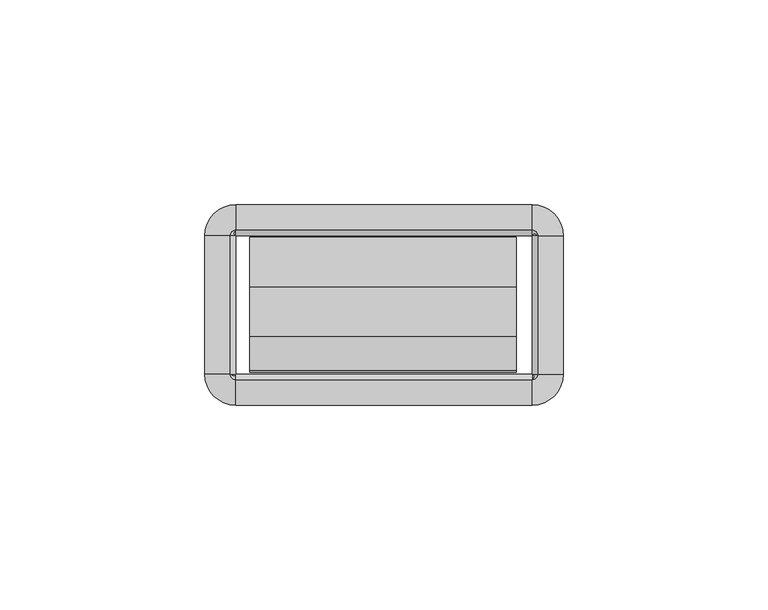
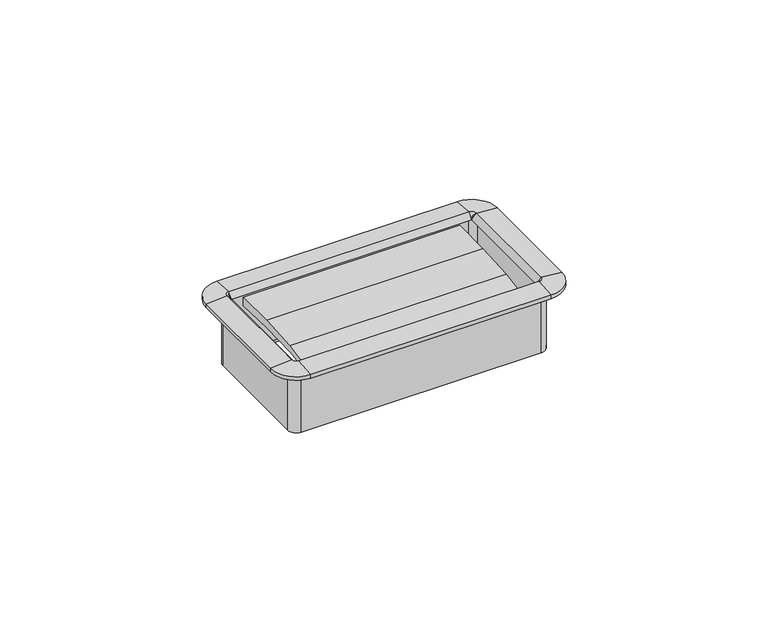
"""IFC4 building model written with IfcOpenShell, lengths in millimetres: furniture geometry."""

from ifc_helpers import new_model, si_unit, frame, origin, place, context, project, spatial, polyline, circle_curve, outline, extrude, source, transform, mapped, element, save
from ifc_brep_helpers import plane_surface, cylinder_surface, revolved_surface, advanced_brep


def furniture_e6887dff(model_context):
    return source(origin(), model_context, "Body", "SolidModel", [
        extrude(outline(polyline([(-27.4015977, 911.4713463), (-35.841251, 910.4077762), (-35.4230807, 911.7857243), (-27.1272776, 913.3247401), (-15.0207956, 914.1183076), (-2.8884162, 914.1634028), (-2.9633248, 911.4052515), (-15.1814712, 911.8042355), (-27.4015977, 911.4713463)])), frame((-32.8496732, 0.0, 0.0), z_axis=(1.0, 0.0, 0.0), x_axis=(0.0, 1.0, 0.0)), (0.0, 0.0, 1.0), 65.1763996),
        advanced_brep(
        [(37.8602578, -2.54, 914.4), (36.1704551, -0.8501974, 914.4), (36.1704551, -0.8501974, 895.5532), (37.8602578, -2.54, 895.5532), (37.5244377, -2.54, 916.0652454), (36.1704551, -1.1860174, 916.0652454), (36.1704551, -2.5172282, 914.4), (43.7913825, -2.54, 915.543), (36.1704551, 5.0809274, 915.543), (43.7913825, -2.54, 914.4), (36.1704551, 5.0809274, 914.4), (38.7104551, -2.54, 894.0799989), (36.1704551, 0.0, 894.0799989), (36.1704551, 0.0, 914.4), (38.7104551, -2.54, 914.4), (37.8602578, -36.2712, 895.5532), (37.8602578, -36.2712, 914.4), (36.1932269, -36.2712, 914.4), (37.5244377, -36.2712, 916.0652454), (43.7913825, -36.2712, 915.543), (43.7913825, -36.2712, 914.4), (38.7104551, -36.2712, 914.4), (38.7104551, -36.2712, 894.0799989), (36.1704551, -37.9610026, 914.4), (36.1704551, -37.9610026, 895.5532), (36.1704551, -37.6251826, 916.0652454), (36.1704551, -43.8921274, 915.543), (36.1704551, -43.8921274, 914.4), (36.1704551, -38.8112, 894.0799989), (36.1704551, -38.8112, 914.4), (-36.1687428, -37.9610026, 895.5532), (-36.1687428, -37.9610026, 914.4), (-36.1687428, -36.2939718, 914.4), (-36.1687428, -37.6251826, 916.0652454), (-36.1687428, -43.8921274, 915.543), (-36.1687428, -43.8921274, 914.4), (-36.1687428, -38.8112, 914.4), (-36.1687428, -38.8112, 894.0799989), (-37.8585455, -36.2712, 914.4), (-37.8585455, -36.2712, 895.5532), (-37.5227254, -36.2712, 916.0652454), (-43.7896702, -36.2712, 915.543), (-43.7896702, -36.2712, 914.4), (-38.7087428, -36.2712, 894.0799989), (-38.7087428, -36.2712, 914.4), (-37.8585455, -2.54, 895.5532), (-37.8585455, -2.54, 914.4), (-36.1915146, -2.54, 914.4), (-37.5227254, -2.54, 916.0652454), (-43.7896702, -2.54, 915.543), (-43.7896702, -2.54, 914.4), (-38.7087428, -2.54, 914.4), (-38.7087428, -2.54, 894.0799989), (-36.1687428, -0.8501974, 914.4), (-36.1687428, -0.8501974, 895.5532), (-36.1687428, -1.1860174, 916.0652454), (-36.1687428, 5.0809274, 915.543), (-36.1687428, 5.0809274, 914.4), (-36.1687428, 0.0, 894.0799989), (-36.1687428, 0.0, 914.4), (38.6519521, -2.54, 895.5532), (36.1704551, -0.058503, 895.5532), (38.6519521, -36.2712, 895.5532), (36.1704551, -38.752697, 895.5532), (-36.1687428, -38.752697, 895.5532), (-38.6502398, -36.2712, 895.5532), (-38.6502398, -2.54, 895.5532), (-36.1687428, -0.058503, 895.5532)],
        [
            (0, 1, circle_curve(frame((36.1704551, -2.54, 914.4), z_axis=(0.0, 0.0, 1.0), x_axis=(0.0, 1.0, 0.0)), 1.6898026)),
            (1, 2),
            (2, 3, circle_curve(frame((36.1704551, -2.54, 895.5532), z_axis=(0.0, 0.0, -1.0), x_axis=(0.0, 1.0, 0.0)), 1.6898026)),
            (3, 0),
            (4, 5, circle_curve(frame((36.1704551, -2.54, 916.0652454), z_axis=(0.0, 0.0, 1.0), x_axis=(0.0, 1.0, 0.0)), 1.3539826)),
            (5, 6),
            (6, 4),
            (7, 8, circle_curve(frame((36.1704551, -2.54, 915.543), z_axis=(0.0, 0.0, 1.0), x_axis=(0.0, 1.0, 0.0)), 7.6209274)),
            (8, 5),
            (4, 7),
            (9, 10, circle_curve(frame((36.1704551, -2.54, 914.4), z_axis=(0.0, 0.0, 1.0), x_axis=(0.0, 1.0, 0.0)), 7.6209274)),
            (10, 8),
            (7, 9),
            (11, 12, circle_curve(frame((36.1704551, -2.54, 894.0799989), z_axis=(0.0, 0.0, 1.0), x_axis=(0.0, 1.0, 0.0)), 2.54)),
            (12, 13),
            (13, 14, circle_curve(frame((36.1704551, -2.54, 914.4), z_axis=(0.0, 0.0, -1.0), x_axis=(0.0, 1.0, 0.0)), 2.54)),
            (14, 11),
            (3, 15),
            (15, 16),
            (16, 0),
            (6, 17),
            (17, 18),
            (18, 4),
            (18, 19),
            (19, 7),
            (19, 20),
            (20, 9),
            (14, 21),
            (21, 22),
            (22, 11),
            (23, 16, circle_curve(frame((36.1704551, -36.2712, 914.4), z_axis=(0.0, 0.0, 1.0), x_axis=(1.0, 0.0, 0.0)), 1.6898026)),
            (15, 24, circle_curve(frame((36.1704551, -36.2712, 895.5532), z_axis=(0.0, 0.0, -1.0), x_axis=(1.0, 0.0, 0.0)), 1.6898026)),
            (24, 23),
            (25, 18, circle_curve(frame((36.1704551, -36.2712, 916.0652454), z_axis=(0.0, 0.0, 1.0), x_axis=(1.0, 0.0, 0.0)), 1.3539826)),
            (17, 25),
            (26, 19, circle_curve(frame((36.1704551, -36.2712, 915.543), z_axis=(0.0, 0.0, 1.0), x_axis=(1.0, 0.0, 0.0)), 7.6209274)),
            (25, 26),
            (27, 20, circle_curve(frame((36.1704551, -36.2712, 914.4), z_axis=(0.0, 0.0, 1.0), x_axis=(1.0, 0.0, 0.0)), 7.6209274)),
            (26, 27),
            (28, 22, circle_curve(frame((36.1704551, -36.2712, 894.0799989), z_axis=(0.0, 0.0, 1.0), x_axis=(1.0, 0.0, 0.0)), 2.54)),
            (21, 29, circle_curve(frame((36.1704551, -36.2712, 914.4), z_axis=(0.0, 0.0, -1.0), x_axis=(1.0, 0.0, 0.0)), 2.54)),
            (29, 28),
            (24, 30),
            (30, 31),
            (31, 23),
            (17, 32),
            (32, 33),
            (33, 25),
            (33, 34),
            (34, 26),
            (34, 35),
            (35, 27),
            (29, 36),
            (36, 37),
            (37, 28),
            (38, 31, circle_curve(frame((-36.1687428, -36.2712, 914.4), z_axis=(0.0, 0.0, 1.0), x_axis=(0.0, -1.0, 0.0)), 1.6898026)),
            (30, 39, circle_curve(frame((-36.1687428, -36.2712, 895.5532), z_axis=(0.0, 0.0, -1.0), x_axis=(0.0, -1.0, 0.0)), 1.6898026)),
            (39, 38),
            (40, 33, circle_curve(frame((-36.1687428, -36.2712, 916.0652454), z_axis=(0.0, 0.0, 1.0), x_axis=(0.0, -1.0, 0.0)), 1.3539826)),
            (32, 40),
            (41, 34, circle_curve(frame((-36.1687428, -36.2712, 915.543), z_axis=(0.0, 0.0, 1.0), x_axis=(0.0, -1.0, 0.0)), 7.6209274)),
            (40, 41),
            (42, 35, circle_curve(frame((-36.1687428, -36.2712, 914.4), z_axis=(0.0, 0.0, 1.0), x_axis=(0.0, -1.0, 0.0)), 7.6209274)),
            (41, 42),
            (43, 37, circle_curve(frame((-36.1687428, -36.2712, 894.0799989), z_axis=(0.0, 0.0, 1.0), x_axis=(0.0, -1.0, 0.0)), 2.54)),
            (36, 44, circle_curve(frame((-36.1687428, -36.2712, 914.4), z_axis=(0.0, 0.0, -1.0), x_axis=(0.0, -1.0, 0.0)), 2.54)),
            (44, 43),
            (39, 45),
            (45, 46),
            (46, 38),
            (32, 47),
            (47, 48),
            (48, 40),
            (48, 49),
            (49, 41),
            (49, 50),
            (50, 42),
            (44, 51),
            (51, 52),
            (52, 43),
            (53, 46, circle_curve(frame((-36.1687428, -2.54, 914.4), z_axis=(0.0, 0.0, 1.0), x_axis=(-1.0, 0.0, 0.0)), 1.6898026)),
            (45, 54, circle_curve(frame((-36.1687428, -2.54, 895.5532), z_axis=(0.0, 0.0, -1.0), x_axis=(-1.0, 0.0, 0.0)), 1.6898026)),
            (54, 53),
            (55, 48, circle_curve(frame((-36.1687428, -2.54, 916.0652454), z_axis=(0.0, 0.0, 1.0), x_axis=(-1.0, 0.0, 0.0)), 1.3539826)),
            (47, 55),
            (56, 49, circle_curve(frame((-36.1687428, -2.54, 915.543), z_axis=(0.0, 0.0, 1.0), x_axis=(-1.0, 0.0, 0.0)), 7.6209274)),
            (55, 56),
            (57, 50, circle_curve(frame((-36.1687428, -2.54, 914.4), z_axis=(0.0, 0.0, 1.0), x_axis=(-1.0, 0.0, 0.0)), 7.6209274)),
            (56, 57),
            (58, 52, circle_curve(frame((-36.1687428, -2.54, 894.0799989), z_axis=(0.0, 0.0, 1.0), x_axis=(-1.0, 0.0, 0.0)), 2.54)),
            (51, 59, circle_curve(frame((-36.1687428, -2.54, 914.4), z_axis=(0.0, 0.0, -1.0), x_axis=(-1.0, 0.0, 0.0)), 2.54)),
            (59, 58),
            (54, 2),
            (1, 53),
            (6, 47),
            (5, 55),
            (8, 56),
            (10, 57),
            (13, 59),
            (12, 58),
            (60, 61, circle_curve(frame((36.1704551, -2.54, 895.5532), z_axis=(0.0, 0.0, 1.0), x_axis=(0.0, 1.0, 0.0)), 2.481497)),
            (61, 12),
            (11, 60),
            (22, 62),
            (62, 60),
            (63, 62, circle_curve(frame((36.1704551, -36.2712, 895.5532), z_axis=(0.0, 0.0, 1.0), x_axis=(1.0, 0.0, 0.0)), 2.481497)),
            (28, 63),
            (37, 64),
            (64, 63),
            (65, 64, circle_curve(frame((-36.1687428, -36.2712, 895.5532), z_axis=(0.0, 0.0, 1.0), x_axis=(0.0, -1.0, 0.0)), 2.481497)),
            (43, 65),
            (52, 66),
            (66, 65),
            (67, 66, circle_curve(frame((-36.1687428, -2.54, 895.5532), z_axis=(0.0, 0.0, 1.0), x_axis=(-1.0, 0.0, 0.0)), 2.481497)),
            (58, 67),
            (61, 67),
        ],
        [
            revolved_surface(polyline([(36.1704551, -0.8501974000000001, 895.5532), (36.1704551, -0.8501974000000001, 914.4)]), (36.1704551, -2.54, 914.4), (0.0, 0.0, -1.0)),
            revolved_surface(polyline([(36.1704551, -2.5172282, 914.4), (36.1704551, -1.1860174, 916.0652454)]), (36.1704551, -2.54, 914.4), (0.0, 0.0, -1.0)),
            revolved_surface(polyline([(36.1704551, -1.1860174, 916.0652454), (36.1704551, 5.0809274, 915.543)]), (36.1704551, -2.54, 914.4), (0.0, 0.0, -1.0)),
            cylinder_surface(frame((36.1704551, -2.54, 914.4), z_axis=(0.0, 0.0, -1.0), x_axis=(0.0, 1.0, 0.0)), 7.6209274),
            cylinder_surface(frame((36.1704551, -2.54, 914.4), z_axis=(0.0, 0.0, -1.0), x_axis=(0.0, 1.0, 0.0)), 2.54),
            plane_surface(frame((37.8602578, -2.54, 895.5532), z_axis=(-1.0, 0.0, 0.0), x_axis=(0.0, -1.0, 0.0))),
            plane_surface(frame((36.1932269, -2.54, 914.4), z_axis=(-0.7810942622858547, 0.0, 0.6244131272035499), x_axis=(0.0, -1.0, 0.0))),
            plane_surface(frame((37.5244377, -2.54, 916.0652454), z_axis=(0.08304548081379862, 0.0, 0.9965457581648749), x_axis=(0.0, -1.0, 0.0))),
            plane_surface(frame((43.7913825, -2.54, 915.543), z_axis=(1.0, 0.0, 0.0), x_axis=(0.0, -1.0, 0.0))),
            plane_surface(frame((38.7104551, -2.54, 914.4), z_axis=(1.0, 0.0, 0.0), x_axis=(0.0, -1.0, 0.0))),
            revolved_surface(polyline([(37.8602577, -36.2712, 895.5532), (37.8602577, -36.2712, 914.4)]), (36.1704551, -36.2712, 914.4), (0.0, 0.0, -1.0)),
            revolved_surface(polyline([(36.1932269, -36.2712, 914.4), (37.5244377, -36.2712, 916.0652454)]), (36.1704551, -36.2712, 914.4), (0.0, 0.0, -1.0)),
            revolved_surface(polyline([(37.5244377, -36.2712, 916.0652454), (43.7913825, -36.2712, 915.543)]), (36.1704551, -36.2712, 914.4), (0.0, 0.0, -1.0)),
            cylinder_surface(frame((36.1704551, -36.2712, 914.4), z_axis=(0.0, 0.0, -1.0), x_axis=(1.0, 0.0, 0.0)), 7.6209274),
            cylinder_surface(frame((36.1704551, -36.2712, 914.4), z_axis=(0.0, 0.0, -1.0), x_axis=(1.0, 0.0, 0.0)), 2.54),
            plane_surface(frame((36.1704551, -37.9610026, 895.5532), z_axis=(0.0, 1.0, 0.0), x_axis=(-1.0, 0.0, 0.0))),
            plane_surface(frame((36.1704551, -36.2939718, 914.4), z_axis=(0.0, 0.7810942622858565, 0.6244131272035475), x_axis=(-1.0, 0.0, 0.0))),
            plane_surface(frame((36.1704551, -37.6251826, 916.0652454), z_axis=(0.0, -0.08304548081379555, 0.9965457581648751), x_axis=(-1.0, 0.0, 0.0))),
            plane_surface(frame((36.1704551, -43.8921274, 915.543), z_axis=(0.0, -1.0, 0.0), x_axis=(-1.0, 0.0, 0.0))),
            plane_surface(frame((36.1704551, -38.8112, 914.4), z_axis=(0.0, -1.0, 0.0), x_axis=(-1.0, 0.0, 0.0))),
            revolved_surface(polyline([(-36.1687428, -37.9610026, 895.5532), (-36.1687428, -37.9610026, 914.4)]), (-36.1687428, -36.2712, 914.4), (0.0, 0.0, -1.0)),
            revolved_surface(polyline([(-36.1687428, -36.2939718, 914.4), (-36.1687428, -37.6251826, 916.0652454)]), (-36.1687428, -36.2712, 914.4), (0.0, 0.0, -1.0)),
            revolved_surface(polyline([(-36.1687428, -37.6251826, 916.0652454), (-36.1687428, -43.8921274, 915.543)]), (-36.1687428, -36.2712, 914.4), (0.0, 0.0, -1.0)),
            cylinder_surface(frame((-36.1687428, -36.2712, 914.4), z_axis=(0.0, 0.0, -1.0), x_axis=(0.0, -1.0, 0.0)), 7.6209274),
            cylinder_surface(frame((-36.1687428, -36.2712, 914.4), z_axis=(0.0, 0.0, -1.0), x_axis=(0.0, -1.0, 0.0)), 2.54),
            plane_surface(frame((-37.8585455, -36.2712, 895.5532), z_axis=(1.0, 0.0, 0.0), x_axis=(0.0, 1.0, 0.0))),
            plane_surface(frame((-36.1915146, -36.2712, 914.4), z_axis=(0.7810942622858585, 0.0, 0.6244131272035451), x_axis=(0.0, 1.0, 0.0))),
            plane_surface(frame((-37.5227254, -36.2712, 916.0652454), z_axis=(-0.08304548081379248, 0.0, 0.9965457581648753), x_axis=(0.0, 1.0, 0.0))),
            plane_surface(frame((-43.7896702, -36.2712, 915.543), z_axis=(-1.0, 0.0, 0.0), x_axis=(0.0, 1.0, 0.0))),
            plane_surface(frame((-38.7087428, -36.2712, 914.4), z_axis=(-1.0, 0.0, 0.0), x_axis=(0.0, 1.0, 0.0))),
            revolved_surface(polyline([(-37.8585454, -2.54, 895.5532), (-37.8585454, -2.54, 914.4)]), (-36.1687428, -2.54, 914.4), (0.0, 0.0, -1.0)),
            revolved_surface(polyline([(-36.1915146, -2.54, 914.4), (-37.5227254, -2.54, 916.0652454)]), (-36.1687428, -2.54, 914.4), (0.0, 0.0, -1.0)),
            revolved_surface(polyline([(-37.5227254, -2.54, 916.0652454), (-43.7896702, -2.54, 915.543)]), (-36.1687428, -2.54, 914.4), (0.0, 0.0, -1.0)),
            cylinder_surface(frame((-36.1687428, -2.54, 914.4), z_axis=(0.0, 0.0, -1.0), x_axis=(-1.0, 0.0, 0.0)), 7.6209274),
            cylinder_surface(frame((-36.1687428, -2.54, 914.4), z_axis=(0.0, 0.0, -1.0), x_axis=(-1.0, 0.0, 0.0)), 2.54),
            plane_surface(frame((-36.1687428, -0.8501974, 895.5532), z_axis=(0.0, -1.0, 0.0), x_axis=(1.0, 0.0, 0.0))),
            plane_surface(frame((-36.1687428, -0.8501974, 914.4), z_axis=(0.0, 0.0, -1.0), x_axis=(1.0, 0.0, 0.0))),
            plane_surface(frame((-36.1687428, -2.5172282, 914.4), z_axis=(0.0, -0.7810942622858567, 0.6244131272035476), x_axis=(1.0, 0.0, 0.0))),
            plane_surface(frame((-36.1687428, -1.1860174, 916.0652454), z_axis=(0.0, 0.08304548081379555, 0.9965457581648751), x_axis=(1.0, 0.0, 0.0))),
            plane_surface(frame((-36.1687428, 5.0809274, 915.543), z_axis=(0.0, 1.0, 0.0), x_axis=(1.0, 0.0, 0.0))),
            plane_surface(frame((-36.1687428, 5.0809274, 914.4), z_axis=(0.0, 0.0, -1.0), x_axis=(1.0, 0.0, 0.0))),
            plane_surface(frame((-36.1687428, 0.0, 914.4), z_axis=(0.0, 1.0, 0.0), x_axis=(1.0, 0.0, 0.0))),
            revolved_surface(polyline([(36.1704551, 0.0, 894.0799989), (36.1704551, -0.058503, 895.5532)]), (36.1704551, -2.54, 914.4), (0.0, 0.0, -1.0)),
            plane_surface(frame((38.7104551, -2.54, 894.0799989), z_axis=(-0.9992124303949471, 0.0, -0.03968020847000604), x_axis=(0.0, -1.0, 0.0))),
            revolved_surface(polyline([(38.7104551, -36.2712, 894.0799989), (38.6519521, -36.2712, 895.5532)]), (36.1704551, -36.2712, 914.4), (0.0, 0.0, -1.0)),
            plane_surface(frame((36.1704551, -38.8112, 894.0799989), z_axis=(0.0, 0.999212430394947, -0.039680208470009116), x_axis=(-1.0, 0.0, 0.0))),
            revolved_surface(polyline([(-36.1687428, -38.8112, 894.0799989), (-36.1687428, -38.752697, 895.5532)]), (-36.1687428, -36.2712, 914.4), (0.0, 0.0, -1.0)),
            plane_surface(frame((-38.7087428, -36.2712, 894.0799989), z_axis=(0.9992124303949469, 0.0, -0.03968020847001219), x_axis=(0.0, 1.0, 0.0))),
            revolved_surface(polyline([(-38.7087428, -2.54, 894.0799989), (-38.6502398, -2.54, 895.5532)]), (-36.1687428, -2.54, 914.4), (0.0, 0.0, -1.0)),
            plane_surface(frame((-36.1687428, 0.0, 894.0799989), z_axis=(0.0, -0.999212430394947, -0.039680208470009116), x_axis=(1.0, 0.0, 0.0))),
            plane_surface(frame((-36.1687428, -0.058503, 895.5532), z_axis=(0.0, 0.0, -1.0), x_axis=(1.0, 0.0, 0.0))),
        ],
        [
            (0, [[1, 2, 3, 4]]),
            (1, [[5, 6, 7]]),
            (2, [[8, 9, -5, 10]]),
            (3, [[11, 12, -8, 13]]),
            (4, [[14, 15, 16, 17]]),
            (5, [[-4, 18, 19, 20]]),
            (6, [[-7, 21, 22, 23]]),
            (7, [[-10, -23, 24, 25]]),
            (8, [[-13, -25, 26, 27]]),
            (9, [[-17, 28, 29, 30]]),
            (10, [[31, -19, 32, 33]]),
            (11, [[34, -22, 35]]),
            (12, [[36, -24, -34, 37]]),
            (13, [[38, -26, -36, 39]]),
            (14, [[40, -29, 41, 42]]),
            (15, [[-33, 43, 44, 45]]),
            (16, [[-35, 46, 47, 48]]),
            (17, [[-37, -48, 49, 50]]),
            (18, [[-39, -50, 51, 52]]),
            (19, [[-42, 53, 54, 55]]),
            (20, [[56, -44, 57, 58]]),
            (21, [[59, -47, 60]]),
            (22, [[61, -49, -59, 62]]),
            (23, [[63, -51, -61, 64]]),
            (24, [[65, -54, 66, 67]]),
            (25, [[-58, 68, 69, 70]]),
            (26, [[-60, 71, 72, 73]]),
            (27, [[-62, -73, 74, 75]]),
            (28, [[-64, -75, 76, 77]]),
            (29, [[-67, 78, 79, 80]]),
            (30, [[81, -69, 82, 83]]),
            (31, [[84, -72, 85]]),
            (32, [[86, -74, -84, 87]]),
            (33, [[88, -76, -86, 89]]),
            (34, [[90, -79, 91, 92]]),
            (35, [[-83, 93, -2, 94]]),
            (36, [[-70, -81, -94, -1, -20, -31, -45, -56], [95, -71, -46, -21]]),
            (37, [[-85, -95, -6, 96]]),
            (38, [[-87, -96, -9, 97]]),
            (39, [[-89, -97, -12, 98]]),
            (40, [[-77, -88, -98, -11, -27, -38, -52, -63], [99, -91, -78, -66, -53, -41, -28, -16]]),
            (41, [[-92, -99, -15, 100]]),
            (42, [[101, 102, -14, 103]]),
            (43, [[-103, -30, 104, 105]]),
            (44, [[106, -104, -40, 107]]),
            (45, [[-107, -55, 108, 109]]),
            (46, [[110, -108, -65, 111]]),
            (47, [[-111, -80, 112, 113]]),
            (48, [[114, -112, -90, 115]]),
            (49, [[-115, -100, -102, 116]]),
            (50, [[-113, -114, -116, -101, -105, -106, -109, -110], [-93, -82, -68, -57, -43, -32, -18, -3]]),
        ],
    ),
    ])


if __name__ == "__main__":
    model = new_model("IFC4")
    model_context = context("Model", 3, world=origin())
    ifc_project = project(units=[si_unit("LENGTHUNIT", "METRE", prefix="MILLI")], contexts=[model_context])
    site = spatial("IfcSite", under=ifc_project)
    building = spatial("IfcBuilding", under=site)
    placement = place(None, origin())
    furniture_shape = furniture_e6887dff(model_context)
    element("IfcFurniture", 1, at=placement, inside=building, context=model_context, shape_type="MappedRepresentation", body=[
        mapped(furniture_shape, transform((0.0, 0.0, 0.0), x_axis=(1.0, 0.0, 0.0), y_axis=(0.0, 1.0, 0.0), z_axis=(0.0, 0.0, 1.0))),
    ])
    save(model, "model.ifc")
